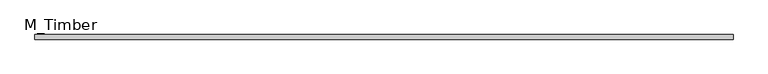
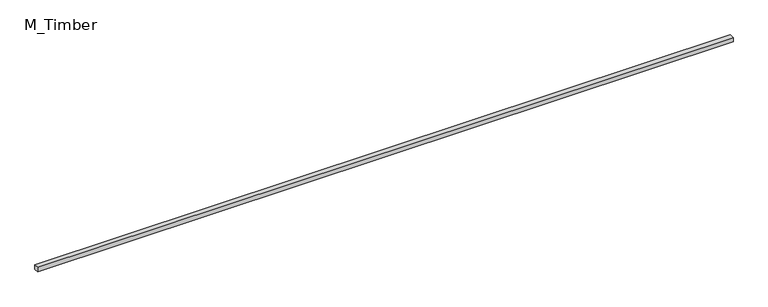
"""IFC4 building model written with IfcOpenShell, lengths in millimetres: beam geometry, M_Timber."""

from ifc_helpers import new_model, si_unit, frame, origin, place, context, project, spatial, polyline, outline, extrude, source, transform, mapped, element, save


def m_timber_a9d8d885(model_context):
    return source(origin(), model_context, "Body", "SweptSolid", [
        extrude(outline(polyline([(3023.6110691, 20.0), (3023.6110691, -20.0), (-3023.6110691, -20.0), (-3023.6110691, 20.0), (3023.6110691, 20.0)])), frame((0.0, 0.0, -20.0), z_axis=(0.0, 0.0, 1.0), x_axis=(1.0, 0.0, 0.0)), (0.0, 0.0, 1.0), 40.0),
    ])


if __name__ == "__main__":
    model = new_model("IFC4")
    model_context = context("Model", 3, world=origin())
    ifc_project = project(units=[si_unit("LENGTHUNIT", "METRE", prefix="MILLI")], contexts=[model_context])
    site = spatial("IfcSite", under=ifc_project)
    building = spatial("IfcBuilding", under=site)
    placement = place(None, origin())
    m_timber_shape = m_timber_a9d8d885(model_context)
    element("IfcBeam", 1, ObjectType="M_Timber", at=placement, inside=building, context=model_context, shape_type="MappedRepresentation", body=[
        mapped(m_timber_shape, transform((0.0, 0.0, 0.0), x_axis=(1.0, 0.0, 0.0), y_axis=(0.0, 1.0, 0.0), z_axis=(0.0, 0.0, 1.0))),
    ])
    save(model, "model.ifc")
